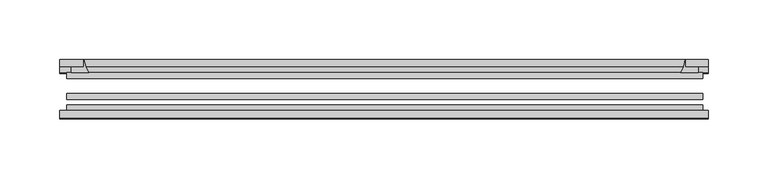
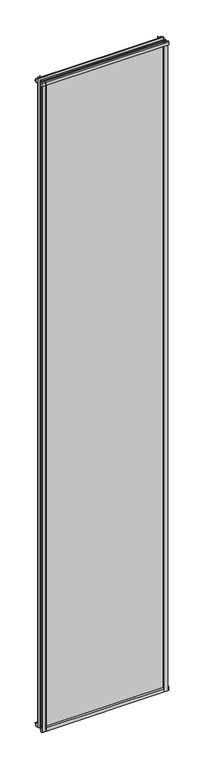
"""IFC4 building model written with IfcOpenShell, lengths in millimetres: plate geometry."""

from ifc_helpers import new_model, si_unit, point, frame, frame_2d, origin, place, context, project, spatial, polyline, circle_curve, trimmed, segment, composite_curve, outline, extrude, source, transform, mapped, element, save


def plate_7c1dd990(model_context):
    return source(origin(), model_context, "Body", "SweptSolid", [
        extrude(outline(composite_curve([segment(polyline([(-85.1328625, 2900.3813002), (-78.7828625, 2900.3813002), (-78.7828625, 2884.1311909)]), True, "CONTINUOUS"), segment(trimmed(circle_curve(frame_2d((-85.0581856, 2875.0814356)), 11.0126179), [point((-78.7828625, 2884.1311909))], [point((-85.1328625, 2886.0938002))], True, "CARTESIAN"), True, "CONTINUOUS"), segment(polyline([(-85.1328625, 2886.0938002), (-85.1328625, 2900.3813002)]), True, "CONTINUOUS")], self_intersect=False)), frame((-270.8671875, 0.0, 0.0), z_axis=(1.0, 0.0, 0.0), x_axis=(0.0, 1.0, 0.0)), (0.0, 0.0, 1.0), 540.54375),
        extrude(outline(composite_curve([segment(polyline([(-265.1125, -78.7828625), (-248.2512844, -78.7828625)]), True, "CONTINUOUS"), segment(trimmed(circle_curve(frame_2d((-237.6888809, -86.7604812)), 13.2365693), [point((-248.2512844, -78.7828625))], [point((-250.825, -85.1328625))], True, "CARTESIAN"), True, "CONTINUOUS"), segment(polyline([(-250.825, -85.1328625), (-265.1125, -85.1328625), (-265.1125, -78.7828625)]), True, "CONTINUOUS")], self_intersect=False)), frame((0.0, 0.0, -14.2875), z_axis=(0.0, 0.0, 1.0), x_axis=(1.0, 0.0, 0.0)), (0.0, 0.0, 1.0), 2914.65),
        extrude(outline(composite_curve([segment(polyline([(265.1125, -78.7828625), (265.1125, -85.1328625), (250.825, -85.1328625)]), True, "CONTINUOUS"), segment(trimmed(circle_curve(frame_2d((237.6888809, -86.7604812)), 13.2365693), [point((250.825, -85.1328625))], [point((248.2512844, -78.7828625))], True, "CARTESIAN"), True, "CONTINUOUS"), segment(polyline([(248.2512844, -78.7828625), (265.1125, -78.7828625)]), True, "CONTINUOUS")], self_intersect=False)), frame((0.0, 0.0, -14.2875), z_axis=(0.0, 0.0, 1.0), x_axis=(1.0, 0.0, 0.0)), (0.0, 0.0, 1.0), 2914.65),
        extrude(outline(composite_curve([segment(polyline([(-47.1852625, -10.4712201), (-47.1852625, 3.9588469)]), True, "CONTINUOUS"), segment(trimmed(circle_curve(frame_2d((-30.6824422, 32.267054)), 32.7673262), [point((-47.1852625, 3.9588469))], [point((-36.3503395, -0.00635))], True, "CARTESIAN"), True, "CONTINUOUS"), segment(polyline([(-36.3503395, -0.00635), (-42.2830625, -0.00635), (-42.2830625, -10.4712201), (-47.1852625, -10.4712201)]), True, "CONTINUOUS")], self_intersect=False)), frame((-270.8671875, 0.0, 0.0), z_axis=(1.0, 0.0, 0.0), x_axis=(0.0, 1.0, 0.0)), (0.0, 0.0, 1.0), 540.54375),
        extrude(outline(composite_curve([segment(polyline([(-78.7828625, -14.2875), (-85.1328625, -14.2875), (-85.1328625, -0.0127)]), True, "CONTINUOUS"), segment(trimmed(circle_curve(frame_2d((-86.7604812, 13.1234191)), 13.2365693), [point((-85.1328625, -0.0127))], [point((-78.7828625, 2.5610156))], True, "CARTESIAN"), True, "CONTINUOUS"), segment(polyline([(-78.7828625, 2.5610156), (-78.7828625, -14.2875)]), True, "CONTINUOUS")], self_intersect=False)), frame((-270.8671875, 0.0, 0.0), z_axis=(1.0, 0.0, 0.0), x_axis=(0.0, 1.0, 0.0)), (0.0, 0.0, 1.0), 540.54375),
        extrude(outline(composite_curve([segment(polyline([(-47.1852625, 2882.1034531), (-47.1852625, 2896.7752564), (-42.2830625, 2896.7752564), (-42.2830625, 2886.075), (-36.3140625, 2886.075)]), True, "CONTINUOUS"), segment(trimmed(circle_curve(frame_2d((-30.6824422, 2853.795246)), 32.7673262), [point((-36.3140625, 2886.075))], [point((-47.1852625, 2882.1034531))], True, "CARTESIAN"), True, "CONTINUOUS")], self_intersect=False)), frame((-270.8671875, 0.0, 0.0), z_axis=(1.0, 0.0, 0.0), x_axis=(0.0, 1.0, 0.0)), (0.0, 0.0, 1.0), 540.54375),
        extrude(outline(composite_curve([segment(trimmed(circle_curve(frame_2d((218.545246, -30.6824422)), 32.7673262), [point((246.8534531, -47.1852625))], [point((250.825, -36.3140625))], True, "CARTESIAN"), True, "CONTINUOUS"), segment(polyline([(250.825, -36.3140625), (250.825, -42.2830625), (261.5253653, -42.2830625), (261.5253653, -47.1852625), (246.8534531, -47.1852625)]), True, "CONTINUOUS")], self_intersect=False)), frame((0.0, 0.0, -14.2875), z_axis=(0.0, 0.0, 1.0), x_axis=(1.0, 0.0, 0.0)), (0.0, 0.0, 1.0), 2914.65),
        extrude(outline(composite_curve([segment(polyline([(-246.8534531, -47.1852625), (-261.5202092, -47.1852625), (-261.5202092, -42.2830625), (-250.825, -42.2830625), (-250.825, -36.3140625)]), True, "CONTINUOUS"), segment(trimmed(circle_curve(frame_2d((-218.545246, -30.6824422)), 32.7673262), [point((-250.825, -36.3140625))], [point((-246.8534531, -47.1852625))], True, "CARTESIAN"), True, "CONTINUOUS")], self_intersect=False)), frame((0.0, 0.0, -14.2875), z_axis=(0.0, 0.0, 1.0), x_axis=(1.0, 0.0, 0.0)), (0.0, 0.0, 1.0), 2914.65),
        extrude(outline(polyline([(265.1125, -64.6604625), (265.1125, -69.4356625), (-265.1125, -69.4356625), (-265.1125, -64.6604625), (265.1125, -64.6604625)])), frame((0.0, 0.0, -14.2875), z_axis=(0.0, 0.0, 1.0), x_axis=(1.0, 0.0, 0.0)), (0.0, 0.0, 1.0), 2914.65),
        extrude(outline(polyline([(-265.1125, -78.7828625), (-265.1125, -74.0076625), (265.1125, -74.0076625), (265.1125, -78.7828625), (-265.1125, -78.7828625)])), frame((0.0, 0.0, -14.2875), z_axis=(0.0, 0.0, 1.0), x_axis=(1.0, 0.0, 0.0)), (0.0, 0.0, 1.0), 2914.65),
        extrude(outline(polyline([(-265.1125, -47.1852625), (265.1125, -47.1852625), (265.1125, -51.9604625), (-265.1125, -51.9604625), (-265.1125, -47.1852625)])), frame((0.0, 0.0, -14.2875), z_axis=(0.0, 0.0, 1.0), x_axis=(1.0, 0.0, 0.0)), (0.0, 0.0, 1.0), 2914.65),
    ])


if __name__ == "__main__":
    model = new_model("IFC4")
    model_context = context("Model", 3, world=origin())
    ifc_project = project(units=[si_unit("LENGTHUNIT", "METRE", prefix="MILLI")], contexts=[model_context])
    site = spatial("IfcSite", under=ifc_project)
    building = spatial("IfcBuilding", under=site)
    placement = place(None, origin())
    plate_shape = plate_7c1dd990(model_context)
    element("IfcPlate", 1, at=placement, inside=building, context=model_context, shape_type="MappedRepresentation", body=[
        mapped(plate_shape, transform((0.0, 0.0, 0.0), x_axis=(1.0, 0.0, 0.0), y_axis=(0.0, 1.0, 0.0), z_axis=(0.0, 0.0, 1.0))),
    ])
    save(model, "model.ifc")
